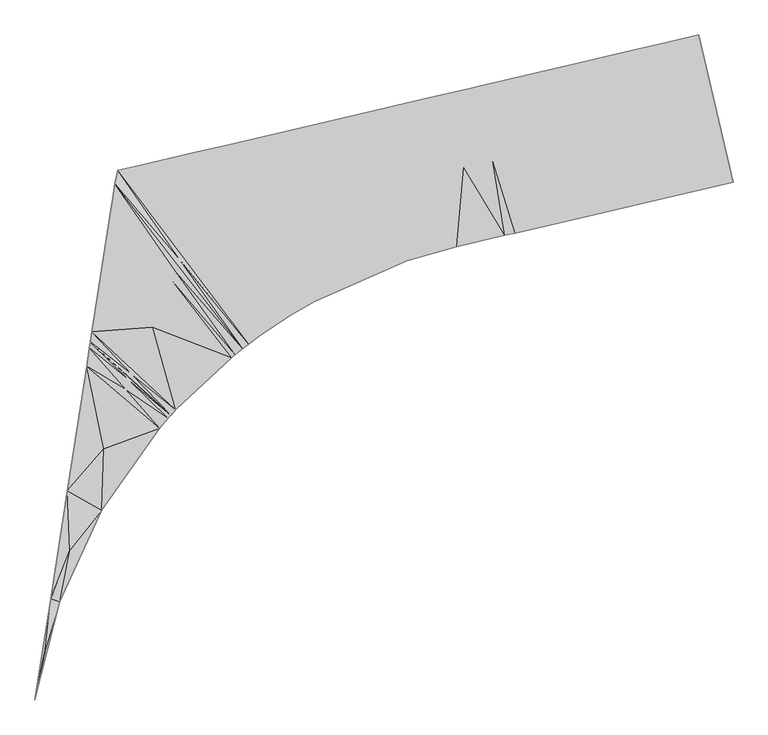
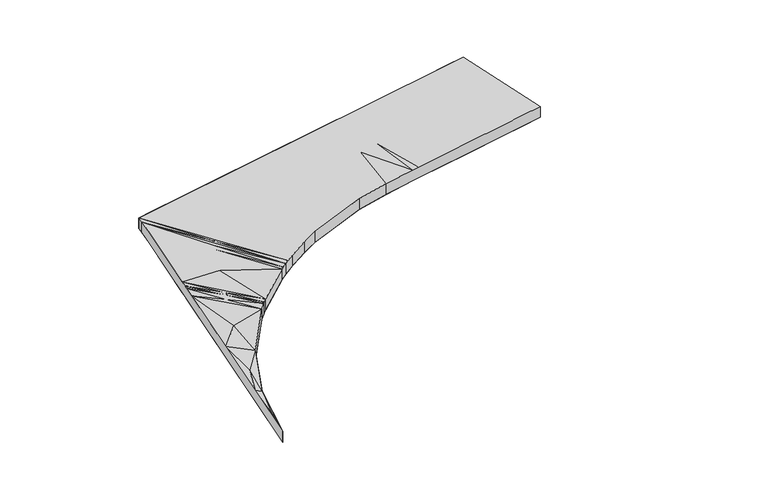
"""IFC4 building model written with IfcOpenShell, lengths in millimetres: proxy geometry."""

from ifc_helpers import new_model, si_unit, origin, place, context, project, spatial, triangles, source, transform, mapped, element, save


def roads_2c21c592(model_context):
    return source(origin(), model_context, "Body", "Tessellation", [
        triangles([(-14462.0195801, -15696.5512024, 283424.4675293), (-15090.7998047, -15843.2573639, 283446.5685059), (-15090.7998047, -15843.2573639, 283096.5619629), (-14462.0195801, -15696.5512024, 283074.4609863), (-15117.233075, -14309.1370514, 283124.095166), (-15143.6663452, -12775.0179016, 283151.5725586), (-15772.4465698, -12921.7240631, 283173.7479492), (-15143.6663452, -12775.0179016, 283501.5791016), (-15772.4465698, -12921.7240631, 283523.7544922), (-15117.233075, -14309.1370514, 283474.0831055), (-15778.747348, -16003.767334, 283121.6953125), (-15778.747348, -16003.767334, 283471.7018555), (-15775.5975403, -14462.7451172, 283147.7402344), (-16460.3952759, -13082.2340332, 283198.9743164), (-16460.3952759, -13082.2340332, 283548.9622559), (-15775.5975403, -14462.7451172, 283497.7467773), (-17038.4878967, -16297.6889282, 283168.6319824), (-17038.4878967, -16297.6889282, 283518.6385254), (-16749.4415863, -14689.9614807, 283183.8682617), (-17720.1358246, -13376.1556274, 283246.1900391), (-17720.1358246, -13376.1556274, 283596.196582), (-16749.4415863, -14689.9614807, 283533.8748047), (-18786.0568085, -16705.4279938, 283583.7694336), (-18786.0568085, -16705.4279938, 283233.7628906), (-18253.0963165, -15040.7912292, 283240.0694824), (-19467.7035736, -13783.894693, 283311.7116211), (-19467.7035736, -13783.894693, 283661.6995605), (-18253.0963165, -15040.7912292, 283590.0760254), (-18986.1771515, -16752.1204926, 283238.7114258), (-18986.1771515, -16752.1204926, 283588.7179687), (-19226.9403625, -15268.0075928, 283275.844043), (-19667.8250793, -13830.5871918, 283319.2088379), (-19667.8250793, -13830.5871918, 283669.2153809), (-19226.9403625, -15268.0075928, 283625.8505859), (-19942.7245789, -16975.2998932, 283612.3630371), (-19942.7245789, -16975.2998932, 283262.3750977), (-19805.2748291, -15402.9435425, 283293.8336426), (-20624.3736694, -14053.7665924, 283355.076416), (-19805.2748291, -15402.9435425, 283643.8401855), (-20624.3736694, -14053.7665924, 283705.0643555), (-20921.7624939, -17252.0411407, 283286.8759277), (-20921.7624939, -17252.0411407, 283636.8824707), (-20844.5741821, -15657.5093994, 283326.7060547), (-21889.4359863, -14348.9299713, 283402.4967773), (-21889.4359863, -14348.9299713, 283752.4847168), (-20844.5741821, -15657.5093994, 283676.6939941), (-22751.3624451, -18053.0143433, 283685.0469727), (-22751.3624451, -18053.0143433, 283335.0590332), (-22506.0030029, -16150.7537109, 283380.8422852), (-24461.4510864, -14949.0282257, 283498.9187988), (-25215.9352661, -15125.0628296, 283527.1961426), (-25215.9352661, -15125.0628296, 283877.2026855), (-24461.4510864, -14949.0282257, 283848.9067383), (-22506.0030029, -16150.7537109, 283730.8302246), (-23230.9820068, -18333.2670044, 283698.4415039), (-23230.9820068, -18333.2670044, 283348.4349609), (-23914.9332825, -16615.0928101, 283427.4068848), (-23914.9332825, -16615.0928101, 283777.3948242), (-23820.9227417, -18725.0779724, 283715.5009277), (-23820.9227417, -18725.0779724, 283365.4943848), (-24621.087854, -16885.480957, 283451.4612305), (-26216.5114014, -15358.514859, 283564.7194336), (-26216.5114014, -15358.514859, 283914.707373), (-24621.087854, -16885.480957, 283801.4677734), (-24065.738031, -18904.4228394, 283722.8121094), (-24065.738031, -18904.4228394, 283372.8055664), (-25191.0646912, -17112.5647705, 283471.106543), (-26661.0912415, -15462.244574, 283581.3695801), (-26661.0912415, -15462.244574, 283931.376123), (-25191.0646912, -17112.5647705, 283821.0944824), (-24184.7772766, -18995.4568176, 283726.4211914), (-24184.7772766, -18995.4568176, 283376.4146484), (-25407.9119202, -17272.1782837, 283491.1239258), (-26720.0388062, -15726.5912292, 283633.8873047), (-26720.0388062, -15726.5912292, 283983.8752441), (-25407.9119202, -17272.1782837, 283841.1118652), (-24332.5659302, -19112.115976, 283380.9539063), (-24332.5659302, -19112.115976, 283730.9418457), (-25502.7968262, -17476.8750916, 283505.8579102), (-26773.8076172, -16073.3351807, 283632.1571777), (-26773.8076172, -16073.3351807, 283982.1637207), (-25502.7968262, -17476.8750916, 283855.8458496), (-24405.9730774, -19171.6088562, 283383.2235352), (-24405.9730774, -19171.6088562, 283733.2300781), (-25578.1271118, -17650.0842865, 283506.9183105), (-26800.1594971, -16243.2794586, 283631.3200195), (-26800.1594971, -16243.2794586, 283981.3265625), (-25578.1271118, -17650.0842865, 283856.90625), (-25509.0685364, -20208.0037354, 283769.7115723), (-25509.0685364, -20208.0037354, 283419.7050293), (-25972.6402405, -18571.4245605, 283512.9830566), (-27175.3552002, -18662.8050293, 283617.6836426), (-27206.5788757, -18864.167157, 283616.5302246), (-27206.5788757, -18864.167157, 283966.5181641), (-27175.3552002, -18662.8050293, 283967.6901855), (-25972.6402405, -18571.4245605, 283862.9895996), (-25604.3929504, -20312.1276123, 283773.1160156), (-25604.3929504, -20312.1276123, 283423.1094727), (-26373.8483093, -19511.7764648, 283519.2524414), (-26373.8483093, -19511.7764648, 283869.2589844), (-25606.4044556, -20314.3553833, 283423.1838867), (-25606.4044556, -20314.3553833, 283773.1904297), (-26406.1533142, -19589.7647278, 283519.8291504), (-27207.2369751, -18868.4099213, 283616.4930176), (-27207.2369751, -18868.4099213, 283966.4995605), (-26406.1533142, -19589.7647278, 283869.8356934), (-25608.4136353, -20316.5808289, 283423.2583008), (-25608.4136353, -20316.5808289, 283773.2648437), (-26407.4881165, -19592.9994141, 283519.8477539), (-27207.8950745, -18872.6503601, 283616.4744141), (-27207.8950745, -18872.6503601, 283966.480957), (-26407.4881165, -19592.9994141, 283869.8542969), (-25658.2594299, -20372.1751099, 283775.0507812), (-25658.2594299, -20372.1751099, 283425.0628418), (-26424.6893921, -19634.7805847, 283520.1640137), (-27224.1871033, -18977.7113892, 283615.860498), (-27224.1871033, -18977.7113892, 283965.867041), (-26424.6893921, -19634.7805847, 283870.1705566), (-25831.0488831, -20570.9490234, 283781.3945801), (-25831.0488831, -20570.9490234, 283431.4066406), (-26498.5081421, -19815.4858337, 283521.5220703), (-27280.5394775, -19341.1124634, 283613.7583008), (-26498.5081421, -19815.4858337, 283871.5100098), (-27280.5394775, -19341.1124634, 283963.7462402), (-26979.6066833, -22204.9027771, 283479.5711426), (-26979.6066833, -22204.9027771, 283829.5776855), (-26938.7091797, -20982.1495056, 283531.0284668), (-27663.6416748, -21811.6314331, 283599.3963867), (-27663.6416748, -21811.6314331, 283949.3843262), (-26938.7091797, -20982.1495056, 283881.0350098), (-27813.7859985, -24019.6036377, 283877.7421875), (-27813.7859985, -24019.6036377, 283527.7356445), (-27613.2680054, -22997.8218201, 283548.4041504), (-27996.0353394, -23955.1447815, 283586.9320313), (-27996.0353394, -23955.1447815, 283936.9199707), (-27613.2680054, -22997.8218201, 283898.4106934), (-28306.0838562, -25955.2273499, 283575.91875), (-28306.0838562, -25955.2273499, 283925.9066895), (-28105.5216797, -24971.2967102, 283566.4681641), (-28306.1838501, -25955.2110718, 283575.304834), (-28306.1838501, -25955.2110718, 283925.2927734), (-28105.5216797, -24971.2967102, 283916.474707)], [[4, 1, 3], [2, 3, 1], [4, 5, 6], [7, 6, 5], [3, 7, 5], [3, 5, 4], [9, 8, 7], [6, 7, 8], [8, 10, 1], [2, 1, 10], [9, 2, 10], [9, 10, 8], [12, 11, 2], [3, 2, 11], [3, 13, 7], [14, 7, 13], [11, 14, 13], [11, 13, 3], [15, 9, 14], [7, 14, 9], [9, 16, 2], [12, 2, 16], [15, 12, 16], [15, 16, 9], [18, 17, 12], [11, 12, 17], [11, 19, 14], [20, 14, 19], [17, 20, 19], [17, 19, 11], [14, 20, 15], [21, 15, 20], [15, 22, 12], [18, 12, 22], [21, 18, 22], [21, 22, 15], [17, 18, 24], [23, 24, 18], [17, 25, 20], [26, 20, 25], [24, 26, 25], [24, 25, 17], [27, 21, 26], [20, 26, 21], [21, 28, 18], [23, 18, 28], [27, 23, 28], [27, 28, 21], [30, 29, 23], [24, 23, 29], [24, 31, 26], [32, 26, 31], [29, 31, 24], [26, 32, 27], [33, 27, 32], [27, 34, 23], [30, 23, 34], [33, 34, 27], [29, 30, 36], [35, 36, 30], [37, 32, 31], [31, 29, 37], [38, 32, 37], [36, 38, 37], [36, 37, 29], [39, 30, 34], [34, 33, 39], [35, 30, 39], [40, 35, 39], [40, 39, 33], [42, 41, 35], [36, 35, 41], [36, 43, 38], [44, 38, 43], [41, 44, 43], [41, 43, 36], [45, 40, 44], [44, 40, 38], [38, 33, 32], [33, 38, 40], [40, 46, 35], [42, 35, 46], [45, 42, 46], [45, 46, 40], [41, 42, 48], [47, 48, 42], [41, 49, 44], [50, 44, 49], [48, 50, 49], [48, 49, 41], [44, 50, 45], [45, 50, 53], [53, 51, 52], [51, 53, 50], [45, 54, 42], [47, 42, 54], [53, 47, 54], [53, 54, 45], [48, 47, 56], [55, 56, 47], [48, 57, 50], [51, 50, 57], [56, 51, 57], [56, 57, 48], [53, 58, 47], [55, 47, 58], [52, 55, 58], [52, 58, 53], [56, 55, 60], [59, 60, 55], [56, 61, 51], [62, 51, 61], [60, 62, 61], [60, 61, 56], [51, 62, 52], [63, 52, 62], [52, 64, 55], [59, 55, 64], [63, 59, 64], [63, 64, 52], [60, 59, 66], [65, 66, 59], [60, 67, 62], [68, 62, 67], [66, 68, 67], [66, 67, 60], [62, 68, 63], [69, 63, 68], [63, 70, 59], [65, 59, 70], [69, 65, 70], [69, 70, 63], [66, 65, 72], [71, 72, 65], [66, 73, 68], [73, 74, 68], [72, 74, 73], [72, 73, 66], [68, 74, 69], [75, 69, 74], [69, 76, 65], [71, 65, 76], [75, 71, 76], [69, 75, 76], [78, 77, 71], [72, 71, 77], [72, 79, 74], [79, 80, 74], [77, 80, 79], [77, 79, 72], [80, 81, 74], [75, 74, 81], [75, 82, 71], [78, 71, 82], [81, 78, 82], [75, 81, 82], [84, 83, 78], [77, 78, 83], [77, 85, 80], [85, 86, 80], [83, 86, 85], [83, 85, 77], [86, 87, 80], [81, 80, 87], [81, 88, 78], [84, 78, 88], [87, 84, 88], [81, 87, 88], [83, 84, 90], [89, 90, 84], [83, 91, 86], [92, 86, 91], [90, 92, 91], [90, 91, 83], [87, 86, 95], [95, 86, 92], [92, 93, 94], [92, 94, 95], [87, 96, 84], [89, 84, 96], [95, 89, 96], [95, 96, 87], [90, 89, 98], [97, 98, 89], [90, 99, 92], [99, 93, 92], [98, 93, 99], [98, 99, 90], [95, 100, 89], [97, 89, 100], [94, 97, 100], [95, 94, 100], [97, 102, 101], [101, 98, 97], [98, 103, 93], [103, 104, 93], [101, 104, 103], [98, 101, 103], [104, 105, 93], [94, 93, 105], [94, 106, 97], [106, 102, 97], [105, 102, 106], [94, 105, 106], [102, 108, 107], [107, 101, 102], [101, 109, 104], [109, 110, 104], [107, 110, 109], [101, 107, 109], [105, 104, 111], [110, 111, 104], [105, 112, 102], [112, 108, 102], [111, 108, 112], [105, 111, 112], [107, 108, 114], [113, 114, 108], [107, 115, 110], [115, 116, 110], [114, 116, 115], [114, 115, 107], [116, 117, 110], [111, 110, 117], [111, 118, 108], [113, 108, 118], [117, 113, 118], [111, 117, 118], [114, 113, 120], [119, 120, 113], [114, 121, 116], [121, 122, 116], [120, 122, 121], [120, 121, 114], [117, 123, 113], [119, 113, 123], [124, 119, 123], [117, 124, 123], [126, 125, 119], [120, 119, 125], [120, 127, 122], [128, 122, 127], [125, 128, 127], [125, 127, 120], [128, 129, 122], [122, 129, 124], [124, 117, 116], [124, 116, 122], [124, 130, 119], [126, 119, 130], [129, 126, 130], [129, 130, 124], [125, 126, 132], [131, 132, 126], [125, 133, 128], [134, 128, 133], [132, 134, 133], [132, 133, 125], [134, 135, 128], [129, 128, 135], [129, 136, 126], [131, 126, 136], [135, 131, 136], [135, 136, 129], [138, 137, 131], [132, 131, 137], [134, 132, 139], [140, 134, 139], [137, 140, 139], [137, 139, 132], [140, 141, 134], [135, 134, 141], [135, 142, 131], [138, 131, 142], [142, 141, 138], [141, 142, 135], [4, 6, 1], [8, 1, 6]], closed=False),
    ])


if __name__ == "__main__":
    model = new_model("IFC4")
    model_context = context("Model", 3, world=origin())
    ifc_project = project(units=[si_unit("LENGTHUNIT", "METRE", prefix="MILLI")], contexts=[model_context])
    site = spatial("IfcSite", under=ifc_project)
    building = spatial("IfcBuilding", under=site)
    placement = place(None, origin())
    roads_shape = roads_2c21c592(model_context)
    element("IfcBuildingElementProxy", 1, Name="Roads", at=placement, inside=building, context=model_context, shape_type="MappedRepresentation", body=[
        mapped(roads_shape, transform((0.0, 0.0, 0.0), x_axis=(1.0, 0.0, 0.0), y_axis=(0.0, 1.0, 0.0), z_axis=(0.0, 0.0, 1.0))),
    ])
    save(model, "model.ifc")
